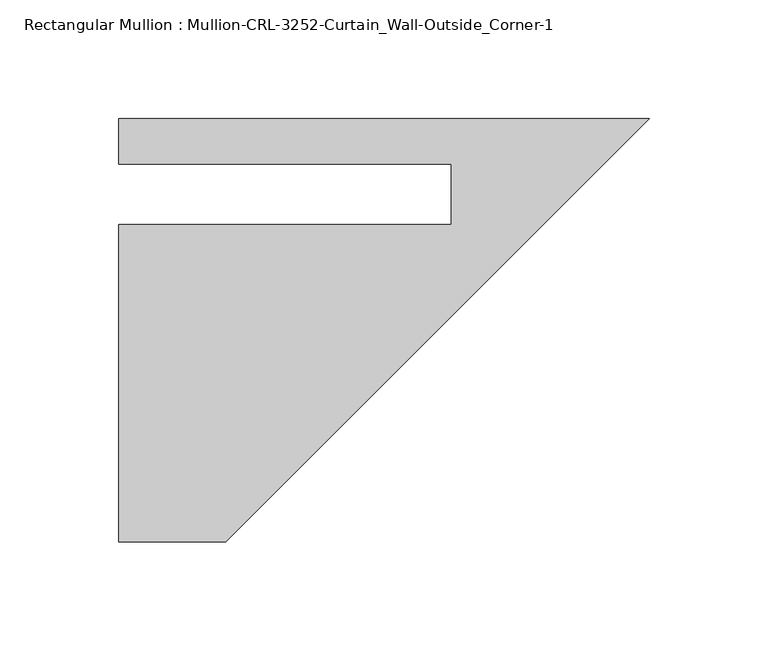
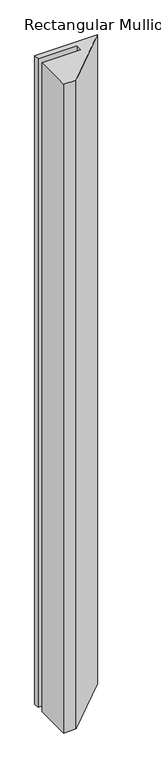
"""IFC4 building model written with IfcOpenShell, lengths in millimetres: member geometry, Rectangular Mullion : Mullion-CRL-3252-Curtain_Wall-Outside_Corner-1."""

from ifc_helpers import new_model, si_unit, frame, origin, place, context, project, spatial, polyline, outline, extrude, source, transform, mapped, element, save


def rectangular_mullion_mullion_crl_3252_curtain_wall_outside_4deb09f3(model_context):
    return source(origin(), model_context, "Body", "SweptSolid", [
        extrude(outline(polyline([(0.0, 31.794609), (-177.8, -146.005391), (-222.7150879, -146.005391), (-222.7150879, -12.7), (-83.0821975, -12.7), (-83.0821975, 12.7), (-222.7150879, 12.7), (-222.7150879, 31.794609), (0.0, 31.794609)])), frame((0.0, 0.0, -2438.1023438), z_axis=(0.0, 0.0, 1.0), x_axis=(1.0, 0.0, 0.0)), (0.0, 0.0, 1.0), 2438.1023438),
    ])


if __name__ == "__main__":
    model = new_model("IFC4")
    model_context = context("Model", 3, world=origin())
    ifc_project = project(units=[si_unit("LENGTHUNIT", "METRE", prefix="MILLI")], contexts=[model_context])
    site = spatial("IfcSite", under=ifc_project)
    building = spatial("IfcBuilding", under=site)
    placement = place(None, origin())
    rectangular_mullion_mullion_crl_3252_curtain_wall_outside_shape = rectangular_mullion_mullion_crl_3252_curtain_wall_outside_4deb09f3(model_context)
    element("IfcMember", 1, ObjectType="Rectangular Mullion : Mullion-CRL-3252-Curtain_Wall-Outside_Corner-1", at=placement, inside=building, context=model_context, shape_type="MappedRepresentation", body=[
        mapped(rectangular_mullion_mullion_crl_3252_curtain_wall_outside_shape, transform((0.0, 0.0, 0.0), x_axis=(1.0, 0.0, 0.0), y_axis=(0.0, 1.0, 0.0), z_axis=(0.0, 0.0, 1.0))),
    ])
    save(model, "model.ifc")
